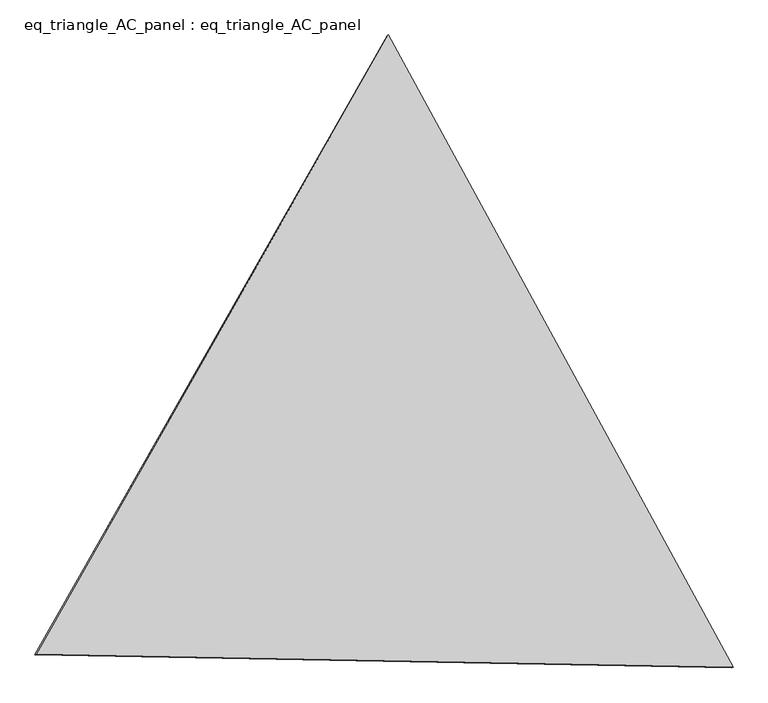
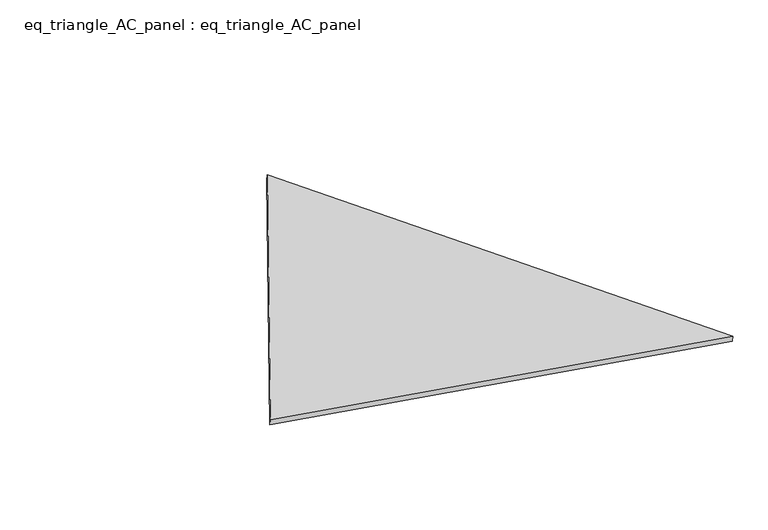
"""IFC4 building model written with IfcOpenShell, lengths in millimetres: proxy geometry, eq_triangle_AC_panel : eq_triangle_AC_panel."""

from ifc_helpers import new_model, si_unit, frame, origin, place, context, project, spatial, polyline, outline, extrude, source, transform, mapped, element, save


def eq_triangle_ac_panel_eq_triangle_ac_panel_aa12cf95(model_context):
    return source(origin(), model_context, "Body", "SweptSolid", [
        extrude(outline(polyline([(-2091.3644089, 1173.0353927), (2032.7504842, 1173.0353928), (58.6139245, -2346.0707857), (-2091.3644089, 1173.0353927)])), frame((0.0038051, 527.9290861, 89.8240019), z_axis=(0.14526328518060752, 0.08386570281802132, 0.9858321976225857), x_axis=(0.47852337075007295, -0.8780648341367009, 0.004186967694668994)), (0.0, 0.0, 1.0), 43.8306294),
    ])


if __name__ == "__main__":
    model = new_model("IFC4")
    model_context = context("Model", 3, world=origin())
    ifc_project = project(units=[si_unit("LENGTHUNIT", "METRE", prefix="MILLI")], contexts=[model_context])
    site = spatial("IfcSite", under=ifc_project)
    building = spatial("IfcBuilding", under=site)
    placement = place(None, origin())
    eq_triangle_ac_panel_eq_triangle_ac_panel_shape = eq_triangle_ac_panel_eq_triangle_ac_panel_aa12cf95(model_context)
    element("IfcBuildingElementProxy", 1, Name="eq_triangle_AC_panel : eq_triangle_AC_panel", ObjectType="eq_triangle_AC_panel : eq_triangle_AC_panel", at=placement, inside=building, context=model_context, shape_type="MappedRepresentation", body=[
        mapped(eq_triangle_ac_panel_eq_triangle_ac_panel_shape, transform((0.0, 0.0, 0.0), x_axis=(1.0, 0.0, 0.0), y_axis=(0.0, 1.0, 0.0), z_axis=(0.0, 0.0, 1.0))),
    ])
    save(model, "model.ifc")
